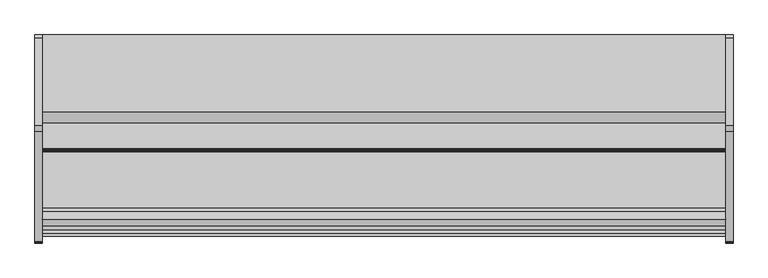
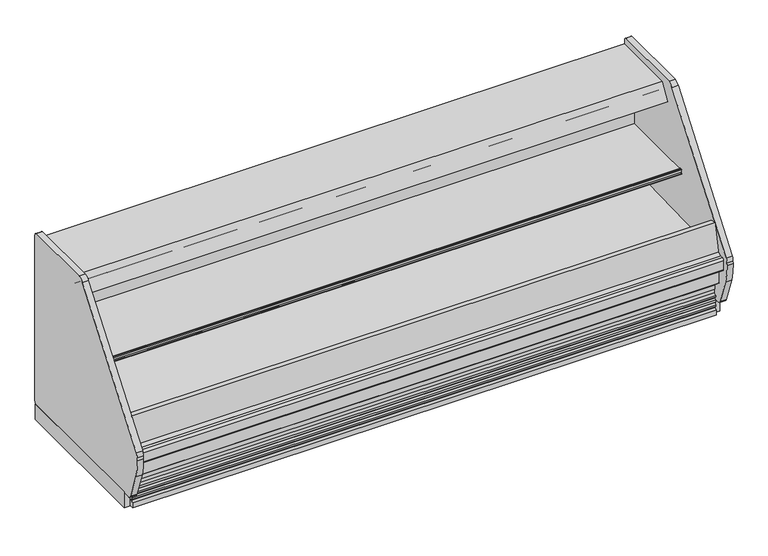
"""IFC4 building model written with IfcOpenShell, lengths in millimetres: proxy geometry."""

from ifc_helpers import new_model, si_unit, point, frame, frame_2d, origin, place, context, project, spatial, polyline, circle_curve, trimmed, segment, composite_curve, outline, extrude, source, transform, mapped, element, save


def mechanical_equipment_bda603a5(model_context):
    return source(origin(), model_context, "Body", "SweptSolid", [
        extrude(outline(polyline([(-38.1, 711.6798615), (-38.1, 1676.4817512), (0.0, 1676.4817512), (0.0, 711.6798615), (-38.1, 711.6798615)])), frame((0.0, 0.0, -11.3168344), z_axis=(0.0, 0.0, 1.0), x_axis=(1.0, 0.0, 0.0)), (0.0, 0.0, 1.0), 104.8514253),
        extrude(outline(composite_curve([segment(trimmed(circle_curve(frame_2d((1654.2567512, 115.824)), 25.4), [point((1679.6567512, 115.824))], [point((1654.2567512, 90.424))], False, "CARTESIAN"), True, "CONTINUOUS"), segment(polyline([(1654.2567512, 90.424), (663.8091512, 90.424)]), True, "CONTINUOUS"), segment(trimmed(circle_curve(frame_2d((663.8091512, 115.824)), 25.4), [point((663.8091512, 90.424))], [point((640.0585823, 106.8200855))], False, "CARTESIAN"), True, "CONTINUOUS"), segment(polyline([(640.0585823, 106.8200855), (583.366812, 271.4649415)]), True, "CONTINUOUS"), segment(trimmed(circle_curve(frame_2d((873.0738926, 371.2190892)), 306.4002), [point((583.366812, 271.4649415))], [point((567.1589099, 388.45585))], False, "CARTESIAN"), True, "CONTINUOUS"), segment(polyline([(567.1589099, 388.45585), (568.1644935, 406.3027696)]), True, "CONTINUOUS"), segment(trimmed(circle_curve(frame_2d((628.296424, 402.9146397)), 60.2273068), [point((568.1644935, 406.3027696))], [point((577.139934, 434.7005174))], False, "CARTESIAN"), True, "CONTINUOUS"), segment(polyline([(577.139934, 434.7005174), (1164.6180638, 1208.5085359)]), True, "CONTINUOUS"), segment(trimmed(circle_curve(frame_2d((1216.0137543, 1169.488723)), 64.5295498), [point((1164.6180638, 1208.5085359))], [point((1196.9254855, 1231.130436))], False, "CARTESIAN"), True, "CONTINUOUS"), segment(polyline([(1196.9254855, 1231.130436), (1664.8043866, 1231.130436)]), True, "CONTINUOUS"), segment(trimmed(circle_curve(frame_2d((1654.2567512, 1208.024)), 25.4), [point((1664.8043866, 1231.130436))], [point((1679.6567512, 1208.024))], False, "CARTESIAN"), True, "CONTINUOUS"), segment(polyline([(1679.6567512, 1208.024), (1679.6567512, 115.824)]), True, "CONTINUOUS")], self_intersect=False)), frame((-38.1, 0.0, 0.0), z_axis=(1.0, 0.0, 0.0), x_axis=(0.0, 1.0, 0.0)), (0.0, 0.0, 1.0), 38.1),
        extrude(outline(polyline([(3657.6, 711.6798615), (3657.6, 1679.6567512), (3695.7, 1679.6567512), (3695.7, 711.6798615), (3657.6, 711.6798615)])), frame((0.0, 0.0, -11.3168344), z_axis=(0.0, 0.0, 1.0), x_axis=(1.0, 0.0, 0.0)), (0.0, 0.0, 1.0), 104.8514253),
        extrude(outline(composite_curve([segment(trimmed(circle_curve(frame_2d((1654.2567512, 115.824)), 25.4), [point((1679.6567512, 115.824))], [point((1654.2567512, 90.424))], False, "CARTESIAN"), True, "CONTINUOUS"), segment(polyline([(1654.2567512, 90.424), (663.8091512, 90.424)]), True, "CONTINUOUS"), segment(trimmed(circle_curve(frame_2d((663.8091512, 115.824)), 25.4), [point((663.8091512, 90.424))], [point((640.0585823, 106.8200855))], False, "CARTESIAN"), True, "CONTINUOUS"), segment(polyline([(640.0585823, 106.8200855), (583.366812, 271.4649415)]), True, "CONTINUOUS"), segment(trimmed(circle_curve(frame_2d((873.0738926, 371.2190892)), 306.4002), [point((583.366812, 271.4649415))], [point((567.1589099, 388.45585))], False, "CARTESIAN"), True, "CONTINUOUS"), segment(polyline([(567.1589099, 388.45585), (568.1644935, 406.3027696)]), True, "CONTINUOUS"), segment(trimmed(circle_curve(frame_2d((628.296424, 402.9146397)), 60.2273068), [point((568.1644935, 406.3027696))], [point((577.139934, 434.7005174))], False, "CARTESIAN"), True, "CONTINUOUS"), segment(polyline([(577.139934, 434.7005174), (1164.6180638, 1208.5085359)]), True, "CONTINUOUS"), segment(trimmed(circle_curve(frame_2d((1216.0137543, 1169.488723)), 64.5295498), [point((1164.6180638, 1208.5085359))], [point((1196.9254855, 1231.130436))], False, "CARTESIAN"), True, "CONTINUOUS"), segment(polyline([(1196.9254855, 1231.130436), (1664.8043866, 1231.130436)]), True, "CONTINUOUS"), segment(trimmed(circle_curve(frame_2d((1654.2567512, 1208.024)), 25.4), [point((1664.8043866, 1231.130436))], [point((1679.6567512, 1208.024))], False, "CARTESIAN"), True, "CONTINUOUS"), segment(polyline([(1679.6567512, 1208.024), (1679.6567512, 115.824)]), True, "CONTINUOUS")], self_intersect=False)), frame((3657.6, 0.0, 0.0), z_axis=(1.0, 0.0, 0.0), x_axis=(0.0, 1.0, 0.0)), (0.0, 0.0, 1.0), 38.1),
        extrude(outline(polyline([(700.6989891, 429.4188157), (703.0591015, 429.4188157), (703.0591015, 354.7248198), (651.5915009, 354.7248198), (651.5915009, 397.6615582), (654.8785028, 409.9288162), (694.4586598, 400.0603747), (700.6989891, 429.4188157)])), frame((0.0, 0.0, 0.0), z_axis=(1.0, 0.0, 0.0), x_axis=(0.0, 1.0, 0.0)), (0.0, 0.0, 1.0), 3657.6),
        extrude(outline(composite_curve([segment(polyline([(870.0317512, 13.1861931), (802.6421421, -10.0179102), (685.8817512, -10.0179102), (685.8817512, 24.1551363)]), True, "CONTINUOUS"), segment(trimmed(circle_curve(frame_2d((685.2131661, 37.1859194)), 13.0479237), [point((685.8817512, 24.1551363))], [point((697.6951339, 33.3847624))], True, "CARTESIAN"), True, "CONTINUOUS"), segment(polyline([(697.6951339, 33.3847624), (701.3949328, 45.5338977), (688.7345978, 45.5338977), (688.7345978, 55.3266015)]), True, "CONTINUOUS"), segment(trimmed(circle_curve(frame_2d((681.8131487, 71.3264274)), 17.4327532), [point((688.7345978, 55.3266015))], [point((697.8129746, 64.4049783))], True, "CARTESIAN"), True, "CONTINUOUS"), segment(polyline([(697.8129746, 64.4049783), (701.0997968, 75.1980102), (688.7345978, 75.1980102), (688.7345978, 86.2266419)]), True, "CONTINUOUS"), segment(trimmed(circle_curve(frame_2d((679.7391667, 104.3064105)), 20.1939548), [point((688.7345978, 86.2266419))], [point((697.8189353, 95.3109794))], True, "CARTESIAN"), True, "CONTINUOUS"), segment(polyline([(697.8189353, 95.3109794), (701.2169039, 105.7688515), (688.7345978, 105.7688515), (688.7345978, 117.156214)]), True, "CONTINUOUS"), segment(trimmed(circle_curve(frame_2d((689.6775874, 129.8463901)), 12.725164), [point((688.7345978, 117.156214))], [point((702.3755024, 129.0140715))], True, "CARTESIAN"), True, "CONTINUOUS"), segment(polyline([(702.3755024, 129.0140715), (702.3755024, 157.4271822), (695.1666308, 157.4271822), (695.1666308, 184.3168811), (803.3567512, 93.5345909), (870.0317512, 93.5345909), (870.0317512, 13.1861931)]), True, "CONTINUOUS")], self_intersect=False)), frame((0.0, 0.0, 0.0), z_axis=(1.0, 0.0, 0.0), x_axis=(0.0, 1.0, 0.0)), (0.0, 0.0, 1.0), 3657.6),
        extrude(outline(polyline([(3657.6, 1644.9330022), (3657.6, 914.8798615), (0.0, 914.8798615), (0.0, 1644.9330022), (3657.6, 1644.9330022)])), frame((0.0, 0.0, 37.3530898), z_axis=(0.0, 0.0, 1.0), x_axis=(1.0, 0.0, 0.0)), (0.0, 0.0, 1.0), 19.8448583),
        extrude(outline(polyline([(1680.0548615, 88.1209301), (1680.0548615, -11.6054102), (1644.9330022, -11.6054102), (1644.9330022, 57.1979482), (914.8798615, 57.1979482), (914.8798615, -11.6054102), (870.0317512, -11.6054102), (870.0317512, 78.1978198), (885.3685223, 93.5345909), (1674.6412007, 93.5345909), (1680.0548615, 88.1209301)])), frame((0.0, 0.0, 0.0), z_axis=(1.0, 0.0, 0.0), x_axis=(0.0, 1.0, 0.0)), (0.0, 0.0, 1.0), 3657.6),
        extrude(outline(polyline([(1594.2644284, 1025.5206156), (1583.9071991, 1044.9997308), (1563.9166424, 1110.3858957), (1537.8698944, 1107.1877571), (1539.0842716, 1097.2974484), (1538.1925249, 1097.2974484), (1536.8775204, 1108.0072999), (1564.4826399, 1111.3967824), (1584.6185071, 1045.5353284), (1595.2605186, 1025.5206156), (1594.2644284, 1025.5206156)])), frame((0.0, 0.0, 0.0), z_axis=(1.0, 0.0, 0.0), x_axis=(0.0, 1.0, 0.0)), (0.0, 0.0, 1.0), 3657.6),
        extrude(outline(composite_curve([segment(trimmed(circle_curve(frame_2d((1066.8477421, 703.6034797)), 1.734506), [point((1065.1132361, 703.6034797))], [point((1068.582248, 703.6034797))], True, "CARTESIAN"), True, "CONTINUOUS"), segment(polyline([(1068.582248, 703.6034797), (1068.582248, 705.0737255), (1070.4287059, 705.0737255), (1068.582248, 700.7946899)]), True, "CONTINUOUS"), segment(trimmed(circle_curve(frame_2d((1067.4067309, 701.3019404)), 1.2802904), [point((1068.582248, 700.7946899))], [point((1067.4039712, 700.0216529))], False, "CARTESIAN"), True, "CONTINUOUS"), segment(polyline([(1067.4039712, 700.0216529), (1058.7511654, 698.4959298), (1056.4923111, 700.7547842), (1056.1496622, 702.6980422), (1056.9234845, 703.4718644), (1058.4083409, 701.987008), (1061.7901577, 709.8241295), (1062.7098676, 727.3732393), (1060.0804447, 730.0026622), (1057.9305027, 727.8527202), (1059.226652, 730.8564548), (1067.1098527, 730.8564548)]), True, "CONTINUOUS"), segment(trimmed(circle_curve(frame_2d((1067.1098527, 729.1064354)), 1.7500194), [point((1067.1098527, 730.8564548))], [point((1068.8597116, 729.0827352))], False, "CARTESIAN"), True, "CONTINUOUS"), segment(polyline([(1068.8597116, 729.0827352), (1070.2712946, 726.6378017), (1069.3976166, 725.7641238), (1067.3090201, 727.8527202)]), True, "CONTINUOUS"), segment(trimmed(circle_curve(frame_2d((1066.2111281, 726.7548282)), 1.5526537), [point((1067.3090201, 727.8527202))], [point((1065.1132361, 727.8527202))], True, "CARTESIAN"), True, "CONTINUOUS"), segment(polyline([(1065.1132361, 727.8527202), (1065.1132361, 703.6034797)]), True, "CONTINUOUS")], self_intersect=False)), frame((0.0, 0.0, 0.0), z_axis=(1.0, 0.0, 0.0), x_axis=(0.0, 1.0, 0.0)), (0.0, 0.0, 1.0), 3657.6),
        extrude(outline(composite_curve([segment(polyline([(1571.7067512, 590.2683077), (1164.9515694, 699.2580302), (1164.9515694, 705.6080302), (1069.7160764, 707.2703719)]), True, "CONTINUOUS"), segment(trimmed(circle_curve(frame_2d((1069.6643954, 704.309571)), 2.9612519), [point((1069.7160764, 707.2703719))], [point((1066.873464, 705.2993765))], True, "CARTESIAN"), True, "CONTINUOUS"), segment(polyline([(1066.873464, 705.2993765), (1066.873464, 703.3197655), (1065.9699458, 703.3197655), (1065.1132361, 727.8527202), (1066.636294, 727.8527202), (1066.636294, 726.4700324)]), True, "CONTINUOUS"), segment(trimmed(circle_curve(frame_2d((1071.2894642, 726.4700324)), 4.6531702), [point((1066.636294, 726.4700324))], [point((1071.7347347, 721.8382156))], True, "CARTESIAN"), True, "CONTINUOUS"), segment(polyline([(1071.7347347, 721.8382156), (1571.7067512, 721.8382156), (1571.7067512, 590.2683077)]), True, "CONTINUOUS")], self_intersect=False)), frame((0.0, 0.0, 0.0), z_axis=(1.0, 0.0, 0.0), x_axis=(0.0, 1.0, 0.0)), (0.0, 0.0, 1.0), 3657.6),
        extrude(outline(composite_curve([segment(polyline([(1571.7067512, 1025.5206156), (1627.7435615, 1025.5206156), (1627.7435615, 333.3706156)]), True, "CONTINUOUS"), segment(trimmed(circle_curve(frame_2d((1469.0306823, 333.3706156)), 158.7128792), [point((1627.7435615, 333.3706156))], [point((1479.9882796, 175.0364465))], False, "CARTESIAN"), True, "CONTINUOUS"), segment(polyline([(1479.9882796, 175.0364465), (867.2878037, 153.6404744)]), True, "CONTINUOUS"), segment(trimmed(circle_curve(frame_2d((861.7450621, 312.3638282)), 158.8201027), [point((867.2878037, 153.6404744))], [point((703.0591015, 305.8376557))], False, "CARTESIAN"), True, "CONTINUOUS"), segment(polyline([(703.0591015, 305.8376557), (703.0591015, 429.4188157), (752.5567512, 429.4188157), (752.5567512, 397.5309651), (1561.6244846, 420.3022108)]), True, "CONTINUOUS"), segment(trimmed(circle_curve(frame_2d((1563.2340553, 428.6206156)), 8.4726959), [point((1561.6244846, 420.3022108))], [point((1571.7067512, 428.6206156))], True, "CARTESIAN"), True, "CONTINUOUS"), segment(polyline([(1571.7067512, 428.6206156), (1571.7067512, 1025.5206156)]), True, "CONTINUOUS")], self_intersect=False)), frame((0.0, 0.0, 0.0), z_axis=(1.0, 0.0, 0.0), x_axis=(0.0, 1.0, 0.0)), (0.0, 0.0, 1.0), 3657.6),
        extrude(outline(polyline([(1538.1632807, 1106.4970423), (1564.1991995, 1108.7748901), (1578.0854554, 1009.9690449), (1552.2399004, 1006.336689), (1538.1632807, 1106.4970423)])), frame((0.0, 0.0, 0.0), z_axis=(1.0, 0.0, 0.0), x_axis=(0.0, 1.0, 0.0)), (0.0, 0.0, 1.0), 3657.6),
        extrude(outline(composite_curve([segment(trimmed(circle_curve(frame_2d((1358.1238906, 1106.7948199)), 16.8446497), [point((1341.279241, 1106.7948199))], [point((1374.9685403, 1106.7948199))], False, "CARTESIAN"), True, "CONTINUOUS"), segment(trimmed(circle_curve(frame_2d((1358.1238906, 1106.7948199)), 16.8446497), [point((1374.9685403, 1106.7948199))], [point((1341.279241, 1106.7948199))], False, "CARTESIAN"), True, "CONTINUOUS")], self_intersect=False)), frame((0.0, 0.0, 0.0), z_axis=(1.0, 0.0, 0.0), x_axis=(0.0, 1.0, 0.0)), (0.0, 0.0, 1.0), 3657.6),
        extrude(outline(composite_curve([segment(trimmed(circle_curve(frame_2d((1320.2582961, 1114.7419199)), 16.5044202), [point((1303.753876, 1114.7419199))], [point((1336.7627163, 1114.7419199))], False, "CARTESIAN"), True, "CONTINUOUS"), segment(trimmed(circle_curve(frame_2d((1320.2582961, 1114.7419199)), 16.5044202), [point((1336.7627163, 1114.7419199))], [point((1303.753876, 1114.7419199))], False, "CARTESIAN"), True, "CONTINUOUS")], self_intersect=False)), frame((0.0, 0.0, 0.0), z_axis=(1.0, 0.0, 0.0), x_axis=(0.0, 1.0, 0.0)), (0.0, 0.0, 1.0), 3657.6),
        extrude(outline(polyline([(1679.6567512, 1131.2227156), (1627.7435615, 1131.2227156), (1627.7435615, 1025.5206156), (1579.7211589, 1025.5206156), (1579.7211589, 1114.0995029), (1548.4749319, 1111.3658123), (1504.996271, 1120.6074869), (1416.096271, 1120.6074869), (1294.505766, 1146.4523466), (1258.0281137, 1085.9550083), (1246.4226285, 1092.9526857), (1234.6608201, 1073.4459998), (1209.4906614, 1085.4836281), (1270.0817512, 1185.9725418), (1679.6567512, 1185.9725418), (1679.6567512, 1131.2227156)])), frame((0.0, 0.0, 0.0), z_axis=(1.0, 0.0, 0.0), x_axis=(0.0, 1.0, 0.0)), (0.0, 0.0, 1.0), 3657.6),
        extrude(outline(composite_curve([segment(polyline([(651.5915009, 354.7248198), (703.0591015, 354.7248198), (703.0591015, 305.8376557)]), True, "CONTINUOUS"), segment(trimmed(circle_curve(frame_2d((858.7051913, 309.1162745)), 155.6806173), [point((703.0591015, 305.8376557))], [point((864.1383665, 153.5304936))], True, "CARTESIAN"), True, "CONTINUOUS"), segment(polyline([(864.1383665, 153.5304936), (1482.8625836, 175.1368194)]), True, "CONTINUOUS"), segment(trimmed(circle_curve(frame_2d((1474.1483918, 328.4845909)), 153.5951697), [point((1482.8625836, 175.1368194))], [point((1627.7435615, 328.4845909))], True, "CARTESIAN"), True, "CONTINUOUS"), segment(polyline([(1627.7435615, 328.4845909), (1627.7435615, 1131.2227156), (1679.6567512, 1131.2227156), (1679.6567512, 93.5345909), (803.3567512, 93.5345909), (651.5915009, 220.8807565), (651.5915009, 354.7248198)]), True, "CONTINUOUS")], self_intersect=False)), frame((0.0, 0.0, 0.0), z_axis=(1.0, 0.0, 0.0), x_axis=(0.0, 1.0, 0.0)), (0.0, 0.0, 1.0), 3657.6),
        extrude(outline(composite_curve([segment(polyline([(616.0317512, 411.9965181), (636.0759477, 411.9965181), (636.0759477, 327.8115582), (616.0317512, 327.8115582)]), True, "CONTINUOUS"), segment(trimmed(circle_curve(frame_2d((616.0317512, 340.5115582)), 12.7), [point((616.0317512, 327.8115582))], [point((603.3317512, 340.5115582))], False, "CARTESIAN"), True, "CONTINUOUS"), segment(polyline([(603.3317512, 340.5115582), (603.3317512, 399.2965181)]), True, "CONTINUOUS"), segment(trimmed(circle_curve(frame_2d((616.0317512, 399.2965181)), 12.7), [point((603.3317512, 399.2965181))], [point((616.0317512, 411.9965181))], False, "CARTESIAN"), True, "CONTINUOUS")], self_intersect=False)), frame((0.0, 0.0, 0.0), z_axis=(1.0, 0.0, 0.0), x_axis=(0.0, 1.0, 0.0)), (0.0, 0.0, 1.0), 3657.6),
        extrude(outline(polyline([(651.5915009, 397.6615582), (651.5915009, 321.4615582), (636.0759477, 321.4615582), (636.0759477, 412.0464767), (657.9070443, 424.1769838), (654.8785028, 409.9288162), (651.5915009, 397.6615582)])), frame((0.0, 0.0, 0.0), z_axis=(1.0, 0.0, 0.0), x_axis=(0.0, 1.0, 0.0)), (0.0, 0.0, 1.0), 3657.6),
        extrude(outline(polyline([(654.8785028, 409.9288162), (694.5625835, 596.6277373), (734.4387268, 588.1518014), (694.4586598, 400.0603747), (688.4106639, 401.5683094), (654.8785028, 409.9288162)])), frame((0.0, 0.0, 0.0), z_axis=(1.0, 0.0, 0.0), x_axis=(0.0, 1.0, 0.0)), (0.0, 0.0, 1.0), 3657.6),
    ])


if __name__ == "__main__":
    model = new_model("IFC4")
    model_context = context("Model", 3, world=origin())
    ifc_project = project(units=[si_unit("LENGTHUNIT", "METRE", prefix="MILLI")], contexts=[model_context])
    site = spatial("IfcSite", under=ifc_project)
    building = spatial("IfcBuilding", under=site)
    placement = place(None, origin())
    mechanical_equipment_shape = mechanical_equipment_bda603a5(model_context)
    element("IfcBuildingElementProxy", 1, Name="Mechanical Equipment", at=placement, inside=building, context=model_context, shape_type="MappedRepresentation", body=[
        mapped(mechanical_equipment_shape, transform((0.0, 0.0, 0.0), x_axis=(1.0, 0.0, 0.0), y_axis=(0.0, 1.0, 0.0), z_axis=(0.0, 0.0, 1.0))),
    ])
    save(model, "model.ifc")
